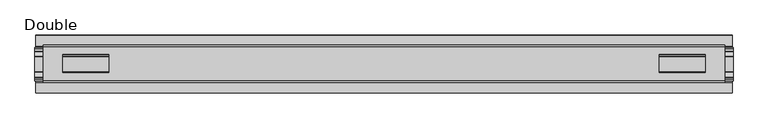
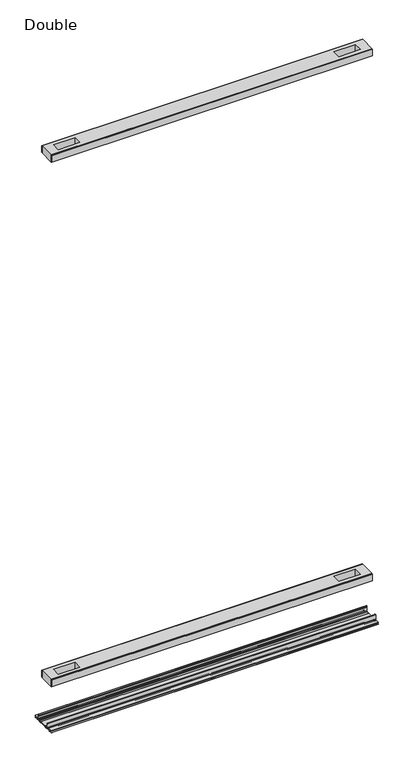
"""IFC4 building model written with IfcOpenShell, lengths in millimetres: proxy geometry, Double."""

from ifc_helpers import new_model, si_unit, point, frame, frame_2d, origin, place, context, project, spatial, polyline, circle_curve, trimmed, segment, composite_curve, outline, extrude, source, transform, mapped, element, save


def double_38438ade(model_context):
    return source(origin(), model_context, "Body", "SweptSolid", [
        extrude(outline(polyline([(589.2077532, 29.0068005), (-589.2077532, 29.0068005), (-589.2077532, 32.1817997), (589.2077532, 32.1817997), (589.2077532, 29.0068005)])), frame((0.0, 0.0, 2186.2851593), z_axis=(0.0, 0.0, 1.0), x_axis=(1.0, 0.0, 0.0)), (0.0, 0.0, 1.0), 25.3999939),
        extrude(outline(polyline([(589.2077532, -32.1817997), (-589.2077532, -32.1817997), (-589.2077532, -29.0068005), (589.2077532, -29.0068005), (589.2077532, -32.1817997)])), frame((0.0, 0.0, 2186.2851593), z_axis=(0.0, 0.0, 1.0), x_axis=(1.0, 0.0, 0.0)), (0.0, 0.0, 1.0), 25.3999939),
        extrude(outline(polyline([(589.2077532, -29.0068005), (-589.2077532, -29.0068005), (-589.2077532, 29.0068005), (589.2077532, 29.0068005), (589.2077532, -29.0068005)]), holes=[polyline([(554.7907406, -15.1130038), (554.7907406, 15.875003), (475.7459288, 15.875003), (475.7459288, -15.1130038), (554.7907406, -15.1130038)]), polyline([(-554.7907406, -15.1130038), (-475.7459288, -15.1130038), (-475.7459288, 15.875003), (-554.7907406, 15.875003), (-554.7907406, -15.1130038)])]), frame((0.0, 0.0, 2184.9851569), z_axis=(0.0, 0.0, 1.0), x_axis=(1.0, 0.0, 0.0)), (0.0, 0.0, 1.0), 27.9999988),
        extrude(outline(polyline([(589.2077532, 29.0068005), (-589.2077532, 29.0068005), (-589.2077532, 32.1817997), (589.2077532, 32.1817997), (589.2077532, 29.0068005)])), frame((0.0, 0.0, 149.8401622), z_axis=(0.0, 0.0, 1.0), x_axis=(1.0, 0.0, 0.0)), (0.0, 0.0, 1.0), 25.3999939),
        extrude(outline(polyline([(589.2077532, -32.1817997), (-589.2077532, -32.1817997), (-589.2077532, -29.0068005), (589.2077532, -29.0068005), (589.2077532, -32.1817997)])), frame((0.0, 0.0, 149.8401622), z_axis=(0.0, 0.0, 1.0), x_axis=(1.0, 0.0, 0.0)), (0.0, 0.0, 1.0), 25.3999939),
        extrude(outline(polyline([(589.2077532, -29.0068005), (-589.2077532, -29.0068005), (-589.2077532, 29.0068005), (589.2077532, 29.0068005), (589.2077532, -29.0068005)]), holes=[polyline([(554.7907406, -15.1130038), (554.7907406, 15.875003), (475.7459288, 15.875003), (475.7459288, -15.1130038), (554.7907406, -15.1130038)]), polyline([(-554.7907406, -15.1130038), (-475.7459288, -15.1130038), (-475.7459288, 15.875003), (-554.7907406, 15.875003), (-554.7907406, -15.1130038)])]), frame((0.0, 0.0, 148.4185847), z_axis=(0.0, 0.0, 1.0), x_axis=(1.0, 0.0, 0.0)), (0.0, 0.0, 1.0), 27.9999988),
        extrude(outline(composite_curve([segment(trimmed(circle_curve(frame_2d((26.6420561, -7.7516037)), 2.17424), [point((28.8162961, -7.7516037))], [point((26.6420561, -9.9258438))], False, "CARTESIAN"), True, "CONTINUOUS"), segment(polyline([(26.6420561, -9.9258438), (22.3510694, -9.9258438)]), True, "CONTINUOUS"), segment(trimmed(circle_curve(frame_2d((17.7706549, -6.4800016)), 5.7318431), [point((22.3510694, -9.9258438))], [point((13.1902404, -9.9258438))], False, "CARTESIAN"), True, "CONTINUOUS"), segment(polyline([(13.1902404, -9.9258438), (-13.57124, -9.9258438)]), True, "CONTINUOUS"), segment(trimmed(circle_curve(frame_2d((-18.1516545, -6.4800016)), 5.7318431), [point((-13.57124, -9.9258438))], [point((-22.732069, -9.9258438))], False, "CARTESIAN"), True, "CONTINUOUS"), segment(polyline([(-22.732069, -9.9258438), (-27.0230557, -9.9258438)]), True, "CONTINUOUS"), segment(trimmed(circle_curve(frame_2d((-27.0230557, -7.7516037)), 2.17424), [point((-27.0230557, -9.9258438))], [point((-29.1972958, -7.7516037))], False, "CARTESIAN"), True, "CONTINUOUS"), segment(polyline([(-29.1972958, -7.7516037), (-29.1972958, 9.8607558)]), True, "CONTINUOUS"), segment(trimmed(circle_curve(frame_2d((-27.9780978, 9.8607558)), 1.2191979), [point((-29.1972958, 9.8607558))], [point((-26.7588999, 9.8607558))], False, "CARTESIAN"), True, "CONTINUOUS"), segment(polyline([(-26.7588999, 9.8607558), (-26.7588999, 5.9999563), (-28.0390765, 5.9999563), (-28.0390765, -7.7516037)]), True, "CONTINUOUS"), segment(trimmed(circle_curve(frame_2d((-27.0230557, -7.7516037)), 1.0160208), [point((-28.0390765, -7.7516037))], [point((-27.0295728, -8.7676036))], True, "CARTESIAN"), True, "CONTINUOUS"), segment(polyline([(-27.0295728, -8.7676036), (-23.0866222, -8.7676036), (-22.1732605, -8.968753)]), True, "CONTINUOUS"), segment(trimmed(circle_curve(frame_2d((-18.1483018, -6.1259382)), 4.9276657), [point((-22.1732605, -8.968753))], [point((-14.123343, -8.968753))], True, "CARTESIAN"), True, "CONTINUOUS"), segment(polyline([(-14.123343, -8.968753), (-13.2099722, -8.7676036), (12.8289726, -8.7676036), (13.7423434, -8.968753)]), True, "CONTINUOUS"), segment(trimmed(circle_curve(frame_2d((17.7673021, -6.1259382)), 4.9276657), [point((13.7423434, -8.968753))], [point((21.7922609, -8.968753))], True, "CARTESIAN"), True, "CONTINUOUS"), segment(polyline([(21.7922609, -8.968753), (22.7056226, -8.7676036), (26.6485732, -8.7676036)]), True, "CONTINUOUS"), segment(trimmed(circle_curve(frame_2d((26.6420561, -7.7516037)), 1.0160208), [point((26.6485732, -8.7676036))], [point((27.6580769, -7.7516037))], True, "CARTESIAN"), True, "CONTINUOUS"), segment(polyline([(27.6580769, -7.7516037), (27.6580769, 5.9999563), (26.3779003, 5.9999563), (26.3779003, 9.8607558)]), True, "CONTINUOUS"), segment(trimmed(circle_curve(frame_2d((27.5970982, 9.8607558)), 1.2191979), [point((26.3779003, 9.8607558))], [point((28.8162961, 9.8607558))], False, "CARTESIAN"), True, "CONTINUOUS"), segment(polyline([(28.8162961, 9.8607558), (28.8162961, -7.7516037)]), True, "CONTINUOUS")], self_intersect=False)), frame((-603.2666441, 0.0, 0.0), z_axis=(1.0, 0.0, 0.0), x_axis=(0.0, 1.0, 0.0)), (0.0, 0.0, 1.0), 1206.5332882),
        extrude(outline(composite_curve([segment(polyline([(50.2668422, -13.9898438), (39.6557522, -13.9898438)]), True, "CONTINUOUS"), segment(trimmed(circle_curve(frame_2d((39.6557522, -12.4658438)), 1.524), [point((39.6557522, -13.9898438))], [point((38.1317522, -12.4658438))], False, "CARTESIAN"), True, "CONTINUOUS"), segment(polyline([(38.1317522, -12.4658438), (38.1317522, -7.766844), (31.3054974, -7.766844), (31.3054974, -10.0528438)]), True, "CONTINUOUS"), segment(trimmed(circle_curve(frame_2d((29.7814974, -10.0528438)), 1.524), [point((31.3054974, -10.0528438))], [point((29.7814974, -11.5768438))], False, "CARTESIAN"), True, "CONTINUOUS"), segment(polyline([(29.7814974, -11.5768438), (23.2753553, -11.5768438)]), True, "CONTINUOUS"), segment(trimmed(circle_curve(frame_2d((17.7673021, -6.4968436)), 7.4930002), [point((23.2753553, -11.5768438))], [point((12.5094972, -11.8354331))], False, "CARTESIAN"), True, "CONTINUOUS"), segment(polyline([(12.5094972, -11.8354331), (-12.8904968, -11.8354331)]), True, "CONTINUOUS"), segment(trimmed(circle_curve(frame_2d((-18.1483018, -6.4968436)), 7.4930002), [point((-12.8904968, -11.8354331))], [point((-23.6563549, -11.5768438))], False, "CARTESIAN"), True, "CONTINUOUS"), segment(polyline([(-23.6563549, -11.5768438), (-30.1624971, -11.5768438)]), True, "CONTINUOUS"), segment(trimmed(circle_curve(frame_2d((-30.1624971, -10.0528438)), 1.524), [point((-30.1624971, -11.5768438))], [point((-31.686497, -10.0528438))], False, "CARTESIAN"), True, "CONTINUOUS"), segment(polyline([(-31.686497, -10.0528438), (-31.686497, -7.766844), (-38.5127519, -7.766844), (-38.5127519, -12.4658438)]), True, "CONTINUOUS"), segment(trimmed(circle_curve(frame_2d((-40.0367518, -12.4658438)), 1.524), [point((-38.5127519, -12.4658438))], [point((-40.0367518, -13.9898438))], False, "CARTESIAN"), True, "CONTINUOUS"), segment(polyline([(-40.0367518, -13.9898438), (-50.00625, -13.9898438), (-50.00625, -12.3388438), (-40.1637503, -12.3388438), (-40.1637503, -7.766844), (-50.00625, -7.766844), (-50.00625, -6.1158439), (-31.6239218, -6.1158439)]), True, "CONTINUOUS"), segment(trimmed(circle_curve(frame_2d((-31.6864982, -7.7656583)), 1.6510007), [point((-31.6239218, -6.1158439))], [point((-30.0354975, -7.7656583))], False, "CARTESIAN"), True, "CONTINUOUS"), segment(polyline([(-30.0354975, -7.7656583), (-30.0354975, -9.9258438), (-23.486834, -9.9258438)]), True, "CONTINUOUS"), segment(trimmed(circle_curve(frame_2d((-18.1483018, -5.2268471)), 7.1119966), [point((-23.486834, -9.9258438))], [point((-12.8097695, -9.9258438))], True, "CARTESIAN"), True, "CONTINUOUS"), segment(polyline([(-12.8097695, -9.9258438), (12.4287699, -9.9258438)]), True, "CONTINUOUS"), segment(trimmed(circle_curve(frame_2d((17.7673021, -5.2268471)), 7.1119966), [point((12.4287699, -9.9258438))], [point((23.1058344, -9.9258438))], True, "CARTESIAN"), True, "CONTINUOUS"), segment(polyline([(23.1058344, -9.9258438), (29.6544978, -9.9258438), (29.6544978, -7.6398436)]), True, "CONTINUOUS"), segment(trimmed(circle_curve(frame_2d((31.1784975, -7.6398436)), 1.5239997), [point((29.6544978, -7.6398436))], [point((31.1784975, -6.1158439))], False, "CARTESIAN"), True, "CONTINUOUS"), segment(polyline([(31.1784975, -6.1158439), (50.2668422, -6.1158439), (50.2240211, -7.766844), (39.7827507, -7.766844), (39.7827507, -12.3388438), (50.2240211, -12.3388438), (50.2668422, -13.9898438)]), True, "CONTINUOUS")], self_intersect=False)), frame((-601.6156441, 0.0, 0.0), z_axis=(1.0, 0.0, 0.0), x_axis=(0.0, 1.0, 0.0)), (0.0, 0.0, 1.0), 1203.2312882),
    ])


if __name__ == "__main__":
    model = new_model("IFC4")
    model_context = context("Model", 3, world=origin())
    ifc_project = project(units=[si_unit("LENGTHUNIT", "METRE", prefix="MILLI")], contexts=[model_context])
    site = spatial("IfcSite", under=ifc_project)
    building = spatial("IfcBuilding", under=site)
    placement = place(None, origin())
    double_shape = double_38438ade(model_context)
    element("IfcBuildingElementProxy", 1, Name="Double", ObjectType="Double", at=placement, inside=building, context=model_context, shape_type="MappedRepresentation", body=[
        mapped(double_shape, transform((0.0, 0.0, 0.0), x_axis=(1.0, 0.0, 0.0), y_axis=(0.0, 1.0, 0.0), z_axis=(0.0, 0.0, 1.0))),
    ])
    save(model, "model.ifc")
